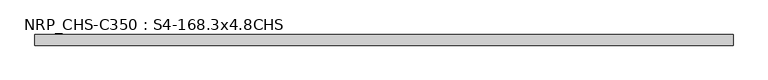
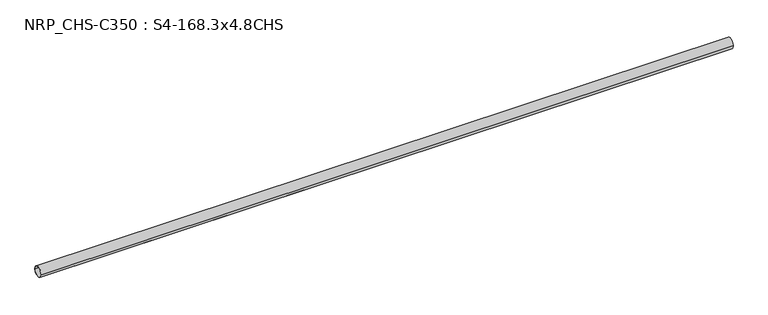
"""IFC4 building model written with IfcOpenShell, lengths in millimetres: beam geometry, NRP_CHS-C350 : S4-168.3x4.8CHS."""

from ifc_helpers import new_model, si_unit, point, frame, origin, origin_2d, place, context, project, spatial, circle_curve, trimmed, segment, composite_curve, outline, extrude, source, transform, mapped, element, save


def nrp_chs_c350_s4_168_3x4_8chs_8dd48e50(model_context):
    return source(origin(), model_context, "Body", "SweptSolid", [
        extrude(outline(composite_curve([segment(trimmed(circle_curve(origin_2d(), 84.15), [point((84.15, 0.0))], [point((-84.15, 0.0))], False, "CARTESIAN"), True, "CONTINUOUS"), segment(trimmed(circle_curve(origin_2d(), 84.15), [point((-84.15, 0.0))], [point((84.15, 0.0))], False, "CARTESIAN"), True, "CONTINUOUS")], self_intersect=False), holes=[composite_curve([segment(trimmed(circle_curve(origin_2d(), 79.35), [point((-79.35, 0.0))], [point((79.35, 0.0))], True, "CARTESIAN"), True, "CONTINUOUS"), segment(trimmed(circle_curve(origin_2d(), 79.35), [point((79.35, 0.0))], [point((-79.35, 0.0))], True, "CARTESIAN"), True, "CONTINUOUS")], self_intersect=False)]), frame((-5508.3, 0.0, 0.0), z_axis=(1.0, 0.0, 0.0), x_axis=(0.0, 1.0, 0.0)), (0.0, 0.0, 1.0), 11016.6),
    ])


if __name__ == "__main__":
    model = new_model("IFC4")
    model_context = context("Model", 3, world=origin())
    ifc_project = project(units=[si_unit("LENGTHUNIT", "METRE", prefix="MILLI")], contexts=[model_context])
    site = spatial("IfcSite", under=ifc_project)
    building = spatial("IfcBuilding", under=site)
    placement = place(None, origin())
    nrp_chs_c350_s4_168_3x4_8chs_shape = nrp_chs_c350_s4_168_3x4_8chs_8dd48e50(model_context)
    element("IfcBeam", 1, ObjectType="NRP_CHS-C350 : S4-168.3x4.8CHS", at=placement, inside=building, context=model_context, shape_type="MappedRepresentation", body=[
        mapped(nrp_chs_c350_s4_168_3x4_8chs_shape, transform((0.0, 0.0, 0.0), x_axis=(1.0, 0.0, 0.0), y_axis=(0.0, 1.0, 0.0), z_axis=(0.0, 0.0, 1.0))),
    ])
    save(model, "model.ifc")
